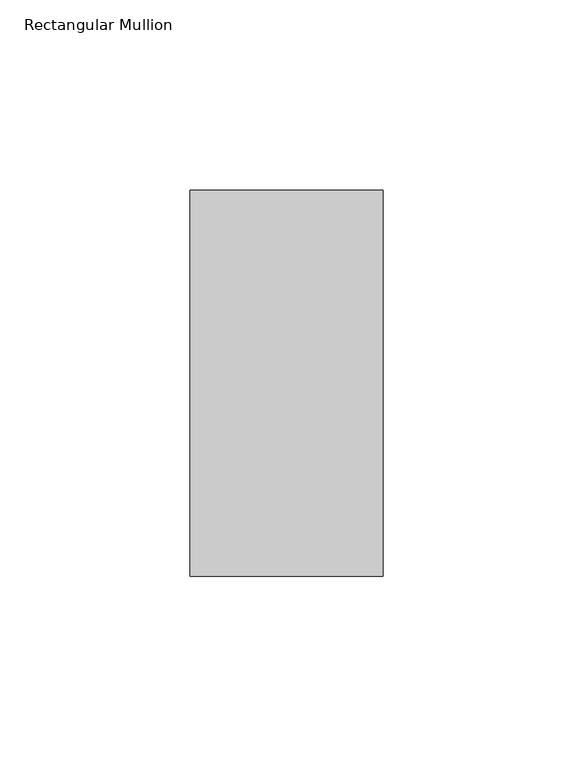
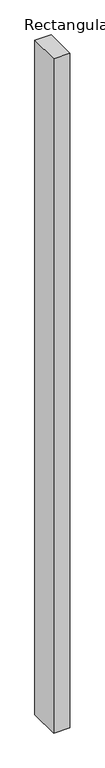
"""IFC4 building model written with IfcOpenShell, lengths in millimetres: member geometry, Rectangular Mullion."""

import ifcopenshell
import ifcopenshell.guid

model = None  # the IFC model being written
_history = None  # IfcOwnerHistory: only IFC2X3 demands one
_inside = {}  # id of a spatial element -> (the spatial element, [elements in it])
_under = {}  # id of a project, library or spatial element -> (it, [spatial elements below it])
_declared = {}  # id of a project -> (the project, [libraries it declares])
_typed = {}  # id of a type object -> (the type object, [elements of that type])
_made_of = {}  # id of a material, layer set ... -> (it, [elements and type objects made of it])


def new_model(schema):
    """Start an empty IFC model of exactly this schema.

    Asked for "IFC4X3", IfcOpenShell would pick the latest addendum, in which some entities
    have other attributes; the version numbers below select the first issue.
    IFC2X3 requires an IfcOwnerHistory on every rooted entity: one is made here for all.
    """
    global model, _history
    if schema == "IFC4X3":
        model = ifcopenshell.file(schema_version=(4, 3, 0, 0))
    else:
        model = ifcopenshell.file(schema=schema)
    _inside.clear()
    _under.clear()
    _declared.clear()
    _typed.clear()
    _made_of.clear()
    _history = None
    if model.schema == "IFC2X3":
        org = make("IfcOrganization", Name="unknown")
        user = make(
            "IfcPersonAndOrganization",
            ThePerson=make("IfcPerson", FamilyName="unknown"),
            TheOrganization=org,
        )
        app = make(
            "IfcApplication",
            ApplicationDeveloper=org,
            Version="unknown",
            ApplicationFullName="unknown",
            ApplicationIdentifier="unknown",
        )
        _history = make(
            "IfcOwnerHistory",
            OwningUser=user,
            OwningApplication=app,
            ChangeAction="ADDED",
            CreationDate=0,
        )
    return model


def make(cls, **values):
    """One entity of the class cls with the attributes given. An attribute that is None is left unset."""
    return model.create_entity(
        cls, **{name: value for name, value in values.items() if value is not None}
    )


def rooted(cls, **values):
    """An entity with a GlobalId (a new one), such as an element, a storey or a relation."""
    return make(cls, GlobalId=ifcopenshell.guid.new(), OwnerHistory=_history, **values)


def si_unit(unit_type, name, prefix=None):
    """IfcSIUnit, for example si_unit("LENGTHUNIT", "METRE", prefix="MILLI")."""
    return make("IfcSIUnit", UnitType=unit_type, Prefix=prefix, Name=name)


def assignment(units):
    """IfcUnitAssignment: the units of a project."""
    return None if units is None else make("IfcUnitAssignment", Units=units)


def point(xyz):
    """IfcCartesianPoint."""
    return None if xyz is None else make("IfcCartesianPoint", Coordinates=xyz)


def direction(xyz):
    """IfcDirection."""
    return None if xyz is None else make("IfcDirection", DirectionRatios=xyz)


def frame(location, z_axis=None, x_axis=None):
    """IfcAxis2Placement3D, a coordinate frame: its origin and axes. An axis left out is left unset."""
    return make(
        "IfcAxis2Placement3D",
        Location=point(location),
        Axis=direction(z_axis),
        RefDirection=direction(x_axis),
    )


def origin():
    """The frame at (0, 0, 0) with its axes left unset."""
    return frame((0.0, 0.0, 0.0))


def place(relative_to, where):
    """IfcLocalPlacement: puts the frame where relative to a parent placement (None: the world)."""
    return make(
        "IfcLocalPlacement", PlacementRelTo=relative_to, RelativePlacement=where
    )


def context(
    kind, dimensions, precision=None, world=None, true_north=None, identifier=None
):
    """IfcGeometricRepresentationContext, for example the 3D "Model" context."""
    return make(
        "IfcGeometricRepresentationContext",
        ContextIdentifier=identifier,
        ContextType=kind,
        CoordinateSpaceDimension=dimensions,
        Precision=precision,
        WorldCoordinateSystem=world,
        TrueNorth=true_north,
    )


def project(units=None, contexts=None):
    """IfcProject with its units and contexts."""
    return rooted(
        "IfcProject",
        Name="project",
        RepresentationContexts=contexts,
        UnitsInContext=assignment(units),
    )


def spatial(cls, under=None, at=None, **own):
    """A site, building, storey or space (cls), placed at a placement, below another one or the project."""
    s = rooted(cls, ObjectPlacement=at, **own)
    if under is not None:
        _under.setdefault(under.id(), (under, []))[1].append(s)
    return s


def polyline(points):
    """IfcPolyline through the points."""
    return make("IfcPolyline", Points=[point(p) for p in points])


def outline(outer, holes=None, kind="AREA"):
    """IfcArbitraryClosedProfileDef: a profile drawn as a closed curve; with holes, ...WithVoids."""
    if holes is None:
        return make("IfcArbitraryClosedProfileDef", ProfileType=kind, OuterCurve=outer)
    return make(
        "IfcArbitraryProfileDefWithVoids",
        ProfileType=kind,
        OuterCurve=outer,
        InnerCurves=holes,
    )


def extrude(swept, where, along, depth):
    """IfcExtrudedAreaSolid: the profile swept, set in the frame where, extruded along a direction by depth."""
    return make(
        "IfcExtrudedAreaSolid",
        SweptArea=swept,
        Position=where,
        ExtrudedDirection=direction(along),
        Depth=depth,
    )


def shape(context_of_items, identifier, shape_type, items):
    """IfcShapeRepresentation: the items that make up one representation, for example the "Body"."""
    return make(
        "IfcShapeRepresentation",
        ContextOfItems=context_of_items,
        RepresentationIdentifier=identifier,
        RepresentationType=shape_type,
        Items=items,
    )


def source(mapping_origin, context_of_items, identifier, shape_type, items):
    """IfcRepresentationMap: a shape defined once, which mapped items show again and again."""
    return make(
        "IfcRepresentationMap",
        MappingOrigin=mapping_origin,
        MappedRepresentation=shape(context_of_items, identifier, shape_type, items),
    )


def transform(
    local_origin,
    x_axis=None,
    y_axis=None,
    z_axis=None,
    scale=None,
    scale2=None,
    scale3=None,
    uniform=True,
):
    """IfcCartesianTransformationOperator3D, or its non-uniform kind. x_axis, y_axis, z_axis: its Axis1, 2, 3."""
    if uniform:
        return make(
            "IfcCartesianTransformationOperator3D",
            Axis1=direction(x_axis),
            Axis2=direction(y_axis),
            LocalOrigin=point(local_origin),
            Scale=scale,
            Axis3=direction(z_axis),
        )
    return make(
        "IfcCartesianTransformationOperator3DnonUniform",
        Axis1=direction(x_axis),
        Axis2=direction(y_axis),
        LocalOrigin=point(local_origin),
        Scale=scale,
        Axis3=direction(z_axis),
        Scale2=scale2,
        Scale3=scale3,
    )


def mapped(mapping_source, mapping_target):
    """IfcMappedItem: shows the shape of a source again, moved by a transform."""
    return make(
        "IfcMappedItem", MappingSource=mapping_source, MappingTarget=mapping_target
    )


def made_of(thing, what):
    """Note that an element or type object is made of a material, layer set ...; save() writes the relation."""
    if what is not None:
        _made_of.setdefault(what.id(), (what, []))[1].append(thing)
    return thing


def element(
    cls,
    number,
    at=None,
    inside=None,
    cuts=None,
    type_object=None,
    material=None,
    context=None,
    identifier="Body",
    shape_type=None,
    held_by="IfcProductDefinitionShape",
    body=None,
    shapes=None,
    **own,
):
    """One element of the class cls, such as IfcWall. Its Tag is "e" and its number.

    at: its placement. inside: the storey or other place that contains it. cuts: it is an
    opening in that element (IfcRelVoidsElement). A single representation is given by context,
    identifier, shape_type and body (its items); several are given by shapes. held_by: the class
    of the entity that holds the representations. save() writes the other relations.
    """
    e = rooted(cls, Tag="e%d" % number, ObjectPlacement=at, **own)
    if body is not None:
        shapes = [shape(context, identifier, shape_type, body)]
    if shapes is not None:
        e.Representation = make(held_by, Representations=shapes)
    if inside is not None:
        _inside.setdefault(inside.id(), (inside, []))[1].append(e)
    if cuts is not None:
        rooted(
            "IfcRelVoidsElement", RelatingBuildingElement=cuts, RelatedOpeningElement=e
        )
    if type_object is not None:
        _typed.setdefault(type_object.id(), (type_object, []))[1].append(e)
    return made_of(e, material)


def aggregate(whole, parts):
    """IfcRelAggregates: a whole, such as a stair, and the parts it consists of."""
    return rooted("IfcRelAggregates", RelatingObject=whole, RelatedObjects=parts)


def save(model, path):
    """Write the relations noted so far, then the file.

    IfcRelAggregates (storeys below a building ...), IfcRelContainedInSpatialStructure (elements
    in a storey), IfcRelDefinesByType, IfcRelAssociatesMaterial and IfcRelDeclares: one each for
    every whole, place, type object, material and project.
    """
    for whole, parts in _under.values():
        aggregate(whole, parts)
    for where, things in _inside.values():
        rooted(
            "IfcRelContainedInSpatialStructure",
            RelatedElements=things,
            RelatingStructure=where,
        )
    for kind, things in _typed.values():
        rooted("IfcRelDefinesByType", RelatedObjects=things, RelatingType=kind)
    for what, things in _made_of.values():
        rooted("IfcRelAssociatesMaterial", RelatedObjects=things, RelatingMaterial=what)
    for by, libraries in _declared.values():
        rooted("IfcRelDeclares", RelatingContext=by, RelatedDefinitions=libraries)
    model.write(path)


def rectangular_mullion_324f9a1e(model_context):
    return source(origin(), model_context, "Body", "SweptSolid", [
        extrude(outline(polyline([(0.0, 50.8), (0.0, -50.8), (-50.8, -50.8), (-50.8, 50.8), (0.0, 50.8)])), frame((0.0, 0.0, -2235.2), z_axis=(0.0, 0.0, 1.0), x_axis=(1.0, 0.0, 0.0)), (0.0, 0.0, 1.0), 2235.2),
    ])


if __name__ == "__main__":
    model = new_model("IFC4")
    model_context = context("Model", 3, world=origin())
    ifc_project = project(units=[si_unit("LENGTHUNIT", "METRE", prefix="MILLI")], contexts=[model_context])
    site = spatial("IfcSite", under=ifc_project)
    building = spatial("IfcBuilding", under=site)
    placement = place(None, origin())
    rectangular_mullion_shape = rectangular_mullion_324f9a1e(model_context)
    element("IfcMember", 1, ObjectType="Rectangular Mullion", at=placement, inside=building, context=model_context, shape_type="MappedRepresentation", body=[
        mapped(rectangular_mullion_shape, transform((0.0, 0.0, 0.0), x_axis=(1.0, 0.0, 0.0), y_axis=(0.0, 1.0, 0.0), z_axis=(0.0, 0.0, 1.0))),
    ])
    save(model, "model.ifc")
